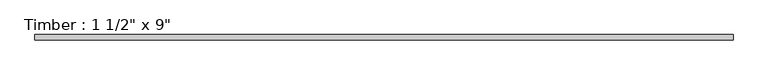
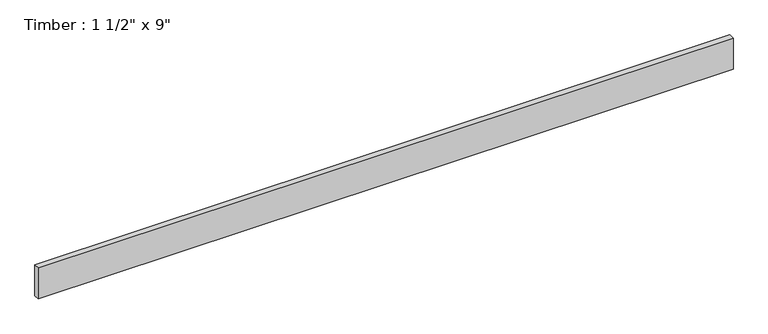
"""IFC4 building model written with IfcOpenShell, lengths in millimetres: beam geometry."""

from ifc_helpers import new_model, si_unit, frame, origin, place, context, project, spatial, polyline, outline, extrude, source, transform, mapped, element, save


def beam_9a858e20(model_context):
    return source(origin(), model_context, "Body", "SweptSolid", [
        extrude(outline(polyline([(2406.0126473, 19.05), (2406.0126473, -19.05), (-2406.0126473, -19.05), (-2406.0126473, 19.05), (2406.0126473, 19.05)])), frame((0.0, 0.0, -114.3), z_axis=(0.0, 0.0, 1.0), x_axis=(1.0, 0.0, 0.0)), (0.0, 0.0, 1.0), 228.6),
    ])


if __name__ == "__main__":
    model = new_model("IFC4")
    model_context = context("Model", 3, world=origin())
    ifc_project = project(units=[si_unit("LENGTHUNIT", "METRE", prefix="MILLI")], contexts=[model_context])
    site = spatial("IfcSite", under=ifc_project)
    building = spatial("IfcBuilding", under=site)
    placement = place(None, origin())
    beam_shape = beam_9a858e20(model_context)
    element("IfcBeam", 1, ObjectType="Timber : 1 1/2\" x 9\"", at=placement, inside=building, context=model_context, shape_type="MappedRepresentation", body=[
        mapped(beam_shape, transform((0.0, 0.0, 0.0), x_axis=(1.0, 0.0, 0.0), y_axis=(0.0, 1.0, 0.0), z_axis=(0.0, 0.0, 1.0))),
    ])
    save(model, "model.ifc")
